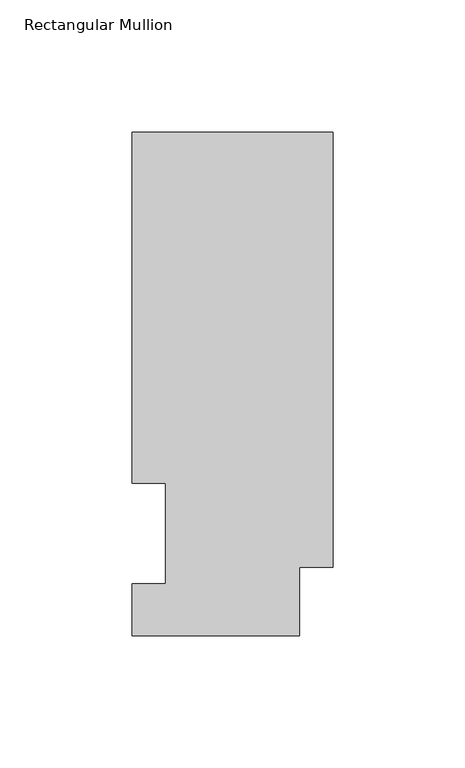
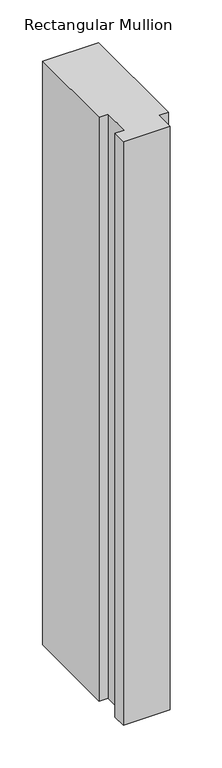
"""IFC4 building model written with IfcOpenShell, lengths in millimetres: member geometry, Rectangular Mullion."""

from ifc_helpers import new_model, si_unit, frame, origin, place, context, project, spatial, polyline, outline, extrude, source, transform, mapped, element, save


def rectangular_mullion_1711d40a(model_context):
    return source(origin(), model_context, "Body", "SweptSolid", [
        extrude(outline(polyline([(-76.2, 190.5896937), (0.0, 190.5896937), (0.0, 25.8960938), (-12.7, 25.8960938), (-12.7, 0.0134937), (-76.2, 0.0134937), (-76.2, 19.5460937), (-63.5, 19.5460937), (-63.5, 57.6460937), (-76.2, 57.6460937), (-76.2, 190.5896937)])), frame((0.0, 0.0, -838.2), z_axis=(0.0, 0.0, 1.0), x_axis=(1.0, 0.0, 0.0)), (0.0, 0.0, 1.0), 838.2),
    ])


if __name__ == "__main__":
    model = new_model("IFC4")
    model_context = context("Model", 3, world=origin())
    ifc_project = project(units=[si_unit("LENGTHUNIT", "METRE", prefix="MILLI")], contexts=[model_context])
    site = spatial("IfcSite", under=ifc_project)
    building = spatial("IfcBuilding", under=site)
    placement = place(None, origin())
    rectangular_mullion_shape = rectangular_mullion_1711d40a(model_context)
    element("IfcMember", 1, ObjectType="Rectangular Mullion", at=placement, inside=building, context=model_context, shape_type="MappedRepresentation", body=[
        mapped(rectangular_mullion_shape, transform((0.0, 0.0, 0.0), x_axis=(1.0, 0.0, 0.0), y_axis=(0.0, 1.0, 0.0), z_axis=(0.0, 0.0, 1.0))),
    ])
    save(model, "model.ifc")
